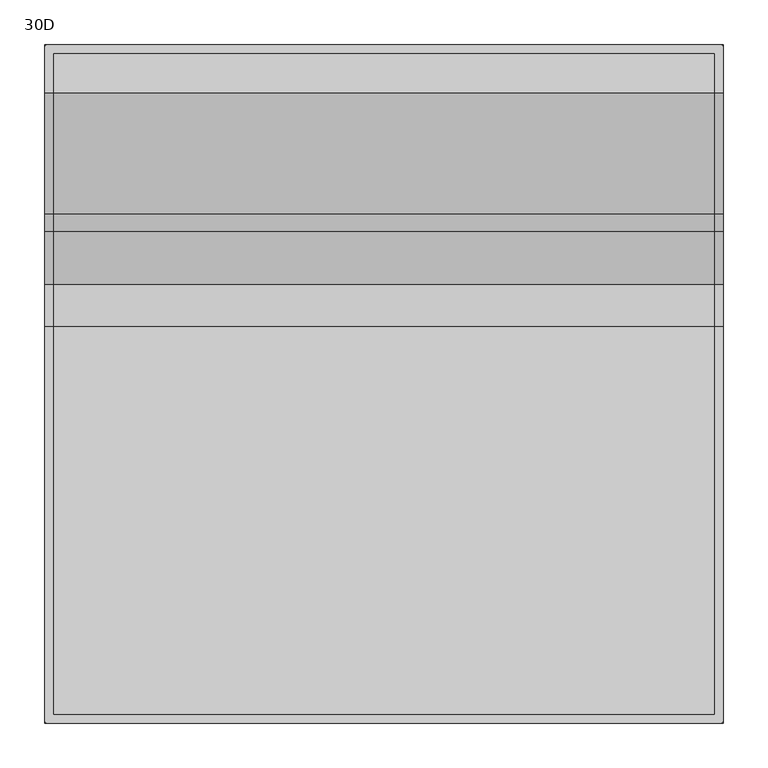
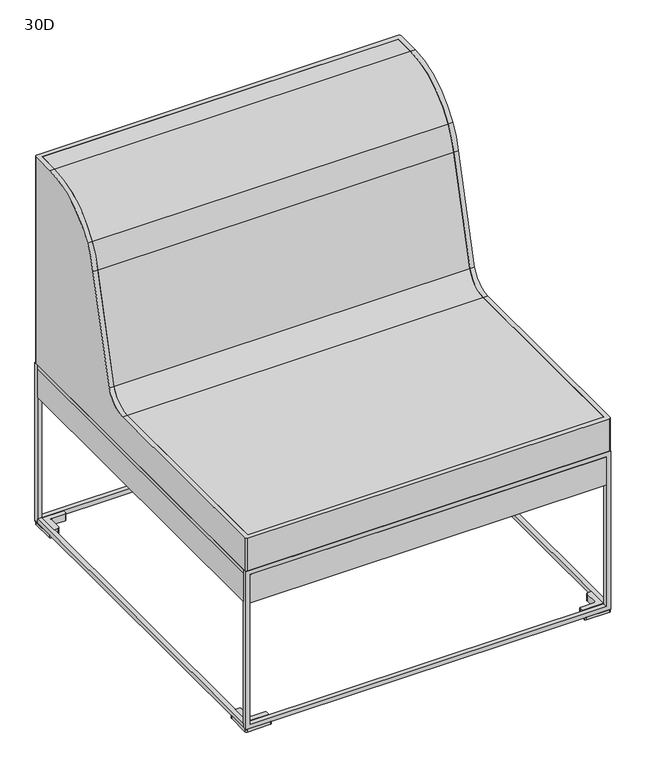
"""IFC4 building model written with IfcOpenShell, lengths in millimetres: furniture geometry, 30D."""

from ifc_helpers import new_model, si_unit, point, frame, frame_2d, origin, place, context, project, spatial, polyline, circle_curve, trimmed, segment, composite_curve, outline, extrude, source, transform, mapped, element, save
from ifc_brep_helpers import plane_surface, cylinder_surface, revolved_surface, advanced_brep


def furniture_30d_7a589925(model_context):
    return source(origin(), model_context, "Body", "SolidModel", [
        advanced_brep(
        [(0.0, -3.5791729, 356.0322699), (3.5791729, 0.0, 356.0322699), (758.4208271, 0.0, 356.0322699), (762.0, -3.5791729, 356.0322699), (762.0, -758.4208271, 356.0322699), (758.4208271, -762.0, 356.0322699), (3.5791729, -762.0, 356.0322699), (0.0, -758.4208271, 356.0322699), (9.652, -9.525218, 356.0322699), (9.652, -752.4678783, 356.0322699), (752.348, -752.4678783, 356.0322699), (752.348, -9.525218, 356.0322699), (0.0, -758.4208271, 427.2896118), (0.0, -316.873992, 427.2896118), (0.0, -268.7710315, 461.7572761), (0.0, -209.8067184, 683.1085218), (0.0, -190.5, 733.6850908), (0.0, -53.9744671, 811.3870454), (0.0, -3.5791729, 811.3870454), (3.5791729, -762.0, 427.2896118), (758.4208271, -762.0, 427.2896118), (762.0, -758.4208271, 427.2896118), (762.0, -3.5791729, 811.3870454), (762.0, -53.9744671, 811.3870454), (762.0, -190.5, 733.6850908), (762.0, -209.8067184, 683.1085218), (762.0, -268.7710315, 461.7572761), (762.0, -316.873992, 427.2896118), (758.4208271, 0.0, 811.3870454), (3.5791729, 0.0, 811.3870454), (752.348, -9.525218, 811.3870454), (9.652, -9.525218, 811.3870454), (752.348, -752.4678783, 427.2896118), (752.348, -316.873992, 427.2896118), (752.348, -268.7710315, 461.7572761), (752.348, -209.8067184, 683.1085218), (752.348, -190.5, 733.6850908), (752.348, -53.9744671, 811.3870454), (9.652, -752.4678783, 427.2896118), (9.652, -53.9744671, 811.3870454), (9.652, -190.5, 733.6850908), (9.652, -209.8067184, 683.1085218), (9.652, -268.7710315, 461.7572761), (9.652, -316.873992, 427.2896118)],
        [
            (0, 1, circle_curve(frame((3.5791729, -3.5791729, 356.0322699), z_axis=(0.0, 0.0, -1.0), x_axis=(1.0, 0.0, 0.0)), 3.5791729)),
            (1, 2),
            (2, 3, circle_curve(frame((758.4208271, -3.5791729, 356.0322699), z_axis=(0.0, 0.0, -1.0), x_axis=(1.0, 0.0, 0.0)), 3.5791729)),
            (3, 4),
            (4, 5, circle_curve(frame((758.4208271, -758.4208271, 356.0322699), z_axis=(0.0, 0.0, -1.0), x_axis=(1.0, 0.0, 0.0)), 3.5791729)),
            (5, 6),
            (6, 7, circle_curve(frame((3.5791729, -758.4208271, 356.0322699), z_axis=(0.0, 0.0, -1.0), x_axis=(1.0, 0.0, 0.0)), 3.5791729)),
            (7, 0),
            (8, 9),
            (9, 10),
            (10, 11),
            (11, 8),
            (7, 12),
            (12, 13),
            (13, 14, circle_curve(frame((0.0, -316.873992, 478.0896118), z_axis=(1.0, 0.0, 0.0), x_axis=(0.0, 1.0, 0.0)), 50.8)),
            (14, 15, circle_curve(frame((0.0, -1889.2345963, 1011.9511668), z_axis=(1.0, 0.0, 0.0), x_axis=(0.0, 1.0, 0.0)), 1711.3198071)),
            (15, 16, circle_curve(frame((0.0, -53.9744671, 652.5955773), z_axis=(-1.0, 0.0, 0.0), x_axis=(0.0, 1.0, 0.0)), 158.7914681)),
            (16, 17, circle_curve(frame((0.0, -53.9744671, 652.5955773), z_axis=(-1.0, 0.0, 0.0), x_axis=(0.0, 1.0, 0.0)), 158.7914681)),
            (17, 18),
            (18, 0),
            (6, 19),
            (19, 12, circle_curve(frame((3.5791729, -758.4208271, 427.2896118), z_axis=(0.0, 0.0, -1.0), x_axis=(1.0, 0.0, 0.0)), 3.5791729)),
            (5, 20),
            (20, 19),
            (4, 21),
            (21, 20, circle_curve(frame((758.4208271, -758.4208271, 427.2896118), z_axis=(0.0, 0.0, -1.0), x_axis=(1.0, 0.0, 0.0)), 3.5791729)),
            (3, 22),
            (22, 23),
            (23, 24, circle_curve(frame((762.0, -53.9744671, 652.5955773), z_axis=(1.0, 0.0, 0.0), x_axis=(0.0, 1.0, 0.0)), 158.7914681)),
            (24, 25, circle_curve(frame((762.0, -53.9744671, 652.5955773), z_axis=(1.0, 0.0, 0.0), x_axis=(0.0, 1.0, 0.0)), 158.7914681)),
            (25, 26, circle_curve(frame((762.0, -1889.2345963, 1011.9511668), z_axis=(-1.0, 0.0, 0.0), x_axis=(0.0, 1.0, 0.0)), 1711.3198071)),
            (26, 27, circle_curve(frame((762.0, -316.873992, 478.0896118), z_axis=(-1.0, 0.0, 0.0), x_axis=(0.0, 1.0, 0.0)), 50.8)),
            (27, 21),
            (2, 28),
            (28, 22, circle_curve(frame((758.4208271, -3.5791729, 811.3870454), z_axis=(0.0, 0.0, -1.0), x_axis=(1.0, 0.0, 0.0)), 3.5791729)),
            (1, 29),
            (29, 28),
            (18, 29, circle_curve(frame((3.5791729, -3.5791729, 811.3870454), z_axis=(0.0, 0.0, -1.0), x_axis=(1.0, 0.0, 0.0)), 3.5791729)),
            (11, 30),
            (30, 31),
            (31, 8),
            (10, 32),
            (32, 33),
            (33, 34, circle_curve(frame((752.348, -316.873992, 478.0896118), z_axis=(1.0, 0.0, 0.0), x_axis=(0.0, 1.0, 0.0)), 50.8)),
            (34, 35, circle_curve(frame((752.348, -1889.2345963, 1011.9511668), z_axis=(1.0, 0.0, 0.0), x_axis=(0.0, 1.0, 0.0)), 1711.3198071)),
            (35, 36, circle_curve(frame((752.348, -53.9744671, 652.5955773), z_axis=(-1.0, 0.0, 0.0), x_axis=(0.0, 1.0, 0.0)), 158.7914681)),
            (36, 37, circle_curve(frame((752.348, -53.9744671, 652.5955773), z_axis=(-1.0, 0.0, 0.0), x_axis=(0.0, 1.0, 0.0)), 158.7914681)),
            (37, 30),
            (9, 38),
            (38, 32),
            (31, 39),
            (39, 40, circle_curve(frame((9.652, -53.9744671, 652.5955773), z_axis=(1.0, 0.0, 0.0), x_axis=(0.0, 1.0, 0.0)), 158.7914681)),
            (40, 41, circle_curve(frame((9.652, -53.9744671, 652.5955773), z_axis=(1.0, 0.0, 0.0), x_axis=(0.0, 1.0, 0.0)), 158.7914681)),
            (41, 42, circle_curve(frame((9.652, -1889.2345963, 1011.9511668), z_axis=(-1.0, 0.0, 0.0), x_axis=(0.0, 1.0, 0.0)), 1711.3198071)),
            (42, 43, circle_curve(frame((9.652, -316.873992, 478.0896118), z_axis=(-1.0, 0.0, 0.0), x_axis=(0.0, 1.0, 0.0)), 50.8)),
            (43, 38),
            (37, 23),
            (17, 39),
            (27, 33),
            (43, 13),
            (35, 25),
            (24, 36),
            (15, 41),
            (40, 16),
            (34, 26),
            (14, 42),
        ],
        [
            plane_surface(frame((0.0, -3.5791729, 356.0322699), z_axis=(0.0, 0.0, -1.0), x_axis=(0.0, 1.0, 0.0))),
            plane_surface(frame((0.0, -3.5791729, 883.1264159), z_axis=(-1.0, 0.0, 0.0), x_axis=(0.0, 0.0, -1.0))),
            cylinder_surface(frame((3.5791729, -758.4208271, 356.0322699), z_axis=(0.0, 0.0, 1.0), x_axis=(1.0, 0.0, 0.0)), 3.5791729),
            plane_surface(frame((3.5791729, -762.0, 883.1264159), z_axis=(0.0, -1.0, 0.0), x_axis=(0.0, 0.0, -1.0))),
            cylinder_surface(frame((758.4208271, -758.4208271, 356.0322699), z_axis=(0.0, 0.0, 1.0), x_axis=(1.0, 0.0, 0.0)), 3.5791729),
            plane_surface(frame((762.0, -758.4208271, 883.1264159), z_axis=(1.0, 0.0, 0.0), x_axis=(0.0, 0.0, -1.0))),
            cylinder_surface(frame((758.4208271, -3.5791729, 356.0322699), z_axis=(0.0, 0.0, 1.0), x_axis=(1.0, 0.0, 0.0)), 3.5791729),
            plane_surface(frame((758.4208271, 0.0, 883.1264159), z_axis=(0.0, 1.0, 0.0), x_axis=(0.0, 0.0, -1.0))),
            cylinder_surface(frame((3.5791729, -3.5791729, 356.0322699), z_axis=(0.0, 0.0, 1.0), x_axis=(1.0, 0.0, 0.0)), 3.5791729),
            plane_surface(frame((9.652, -9.525218, 883.1264159), z_axis=(0.0, -1.0, 0.0), x_axis=(0.0, 0.0, -1.0))),
            plane_surface(frame((752.348, -9.525218, 883.1264159), z_axis=(-1.0, 0.0, 0.0), x_axis=(0.0, 0.0, -1.0))),
            plane_surface(frame((752.348, -752.4678783, 883.1264159), z_axis=(0.0, 1.0, 0.0), x_axis=(0.0, 0.0, -1.0))),
            plane_surface(frame((9.652, -752.4678783, 883.1264159), z_axis=(1.0, 0.0, 0.0), x_axis=(0.0, 0.0, -1.0))),
            plane_surface(frame((1481.6422049, -53.9744671, 811.3870454), z_axis=(0.0, 0.0, 1.0), x_axis=(-1.0, 0.0, 0.0))),
            plane_surface(frame((1481.6422049, -765.2220566, 427.2896118), z_axis=(0.0, 0.0, 1.0), x_axis=(-1.0, 0.0, 0.0))),
            cylinder_surface(frame((0.0, -53.9744671, 652.5955773), z_axis=(-1.0, 0.0, 0.0), x_axis=(0.0, 1.0, 0.0)), 158.7914681),
            revolved_surface(polyline([(762.0, -177.9147892000001, 1011.9511668), (752.348, -177.9147892000001, 1011.9511668)]), (0.0, -1889.2345963, 1011.9511668), (1.0, 0.0, 0.0)),
            revolved_surface(polyline([(9.652, -177.9147892000001, 1011.9511668), (0.0, -177.9147892000001, 1011.9511668)]), (0.0, -1889.2345963, 1011.9511668), (1.0, 0.0, 0.0)),
            revolved_surface(polyline([(762.0, -266.073992, 478.0896118), (752.348, -266.073992, 478.0896118)]), (0.0, -316.873992, 478.0896118), (1.0, 0.0, 0.0)),
            revolved_surface(polyline([(9.652, -266.073992, 478.0896118), (0.0, -266.073992, 478.0896118)]), (0.0, -316.873992, 478.0896118), (1.0, 0.0, 0.0)),
        ],
        [
            (0, [[1, 2, 3, 4, 5, 6, 7, 8], [9, 10, 11, 12]]),
            (1, [[-8, 13, 14, 15, 16, 17, 18, 19, 20]]),
            (2, [[-7, 21, 22, -13]]),
            (3, [[-6, 23, 24, -21]]),
            (4, [[-5, 25, 26, -23]]),
            (5, [[-4, 27, 28, 29, 30, 31, 32, 33, -25]]),
            (6, [[-3, 34, 35, -27]]),
            (7, [[-2, 36, 37, -34]]),
            (8, [[-1, -20, 38, -36]]),
            (9, [[-12, 39, 40, 41]]),
            (10, [[-11, 42, 43, 44, 45, 46, 47, 48, -39]]),
            (11, [[-10, 49, 50, -42]]),
            (12, [[-9, -41, 51, 52, 53, 54, 55, 56, -49]]),
            (13, [[57, -28, -35, -37, -38, -19, 58, -51, -40, -48]]),
            (14, [[59, -43, -50, -56, 60, -14, -22, -24, -26, -33]]),
            (15, [[61, -30, 62, -46]]),
            (15, [[63, -53, 64, -17]]),
            (15, [[-57, -47, -62, -29]]),
            (15, [[-58, -18, -64, -52]]),
            (16, [[-61, -45, 65, -31]]),
            (17, [[-63, -16, 66, -54]]),
            (18, [[-65, -44, -59, -32]]),
            (19, [[-66, -15, -60, -55]]),
        ],
    ),
        extrude(outline(composite_curve([segment(polyline([(-9.525218, 356.0322699), (-752.4678783, 356.0322699), (-752.4678783, 427.2896118), (-316.873992, 427.2896118)]), True, "CONTINUOUS"), segment(trimmed(circle_curve(frame_2d((-316.873992, 478.0896118)), 50.8), [point((-316.873992, 427.2896118))], [point((-268.7710315, 461.7572761))], True, "CARTESIAN"), True, "CONTINUOUS"), segment(trimmed(circle_curve(frame_2d((-1889.2345963, 1011.9511668)), 1711.3198071), [point((-268.7710315, 461.7572761))], [point((-209.8067184, 683.1085218))], True, "CARTESIAN"), True, "CONTINUOUS"), segment(trimmed(circle_curve(frame_2d((-53.9744671, 652.5955773)), 158.7914681), [point((-209.8067184, 683.1085218))], [point((-190.5, 733.6850908))], False, "CARTESIAN"), True, "CONTINUOUS"), segment(trimmed(circle_curve(frame_2d((-53.9744671, 652.5955773)), 158.7914681), [point((-190.5, 733.6850908))], [point((-53.9744671, 811.3870454))], False, "CARTESIAN"), True, "CONTINUOUS"), segment(polyline([(-53.9744671, 811.3870454), (-9.525218, 811.3870454), (-9.525218, 356.0322699)]), True, "CONTINUOUS")], self_intersect=False)), frame((9.525, 0.0, 0.0), z_axis=(1.0, 0.0, 0.0), x_axis=(0.0, 1.0, 0.0)), (0.0, 0.0, 1.0), 742.823),
        advanced_brep(
        [(17.0083882, -53.9744671, 15.289646), (20.3103882, -50.6724671, 15.289646), (20.3103882, -23.6896322, 15.289646), (23.6342208, -20.3657996, 15.289646), (51.4351938, -20.3657996, 15.289646), (53.9751938, -17.8257996, 15.289646), (53.9751938, -10.532642, 15.289646), (9.652, -10.532642, 15.289646), (9.652, -53.9744671, 15.289646), (53.9751938, -17.8257996, 0.0), (51.4351938, -20.3657996, 0.0), (23.6342208, -20.3657996, 0.0), (20.3103882, -23.6896322, 0.0), (20.3103882, -50.6724671, 0.0), (17.0083882, -53.9744671, 0.0), (2.54, -53.9744671, 0.0), (0.0, -51.4344671, 0.0), (0.0, -3.5791729, 0.0), (3.5791729, 0.0, 0.0), (51.3190396, 0.0, 0.0), (53.9751938, -2.6561542, 0.0), (53.9751938, -2.6561542, 5.7646191), (53.9751938, -10.532642, 5.7646191), (51.3190396, 0.0, 5.7646191), (3.5791729, 0.0, 5.7646191), (0.0, -3.5791729, 5.7646191), (0.0, -51.4344671, 5.7646191), (2.54, -53.9744671, 5.7646191), (9.652, -53.9744671, 5.7646191), (9.652, -10.532642, 5.7646191)],
        [
            (0, 1, circle_curve(frame((17.0083882, -50.6724671, 15.289646), z_axis=(0.0, 0.0, 1.0), x_axis=(1.0, 0.0, 0.0)), 3.302)),
            (1, 2),
            (2, 3, circle_curve(frame((23.6342208, -23.6896322, 15.289646), z_axis=(0.0, 0.0, -1.0), x_axis=(1.0, 0.0, 0.0)), 3.3238326)),
            (3, 4),
            (4, 5, circle_curve(frame((51.4351938, -17.8257996, 15.289646), z_axis=(0.0, 0.0, 1.0), x_axis=(1.0, 0.0, 0.0)), 2.54)),
            (5, 6),
            (6, 7),
            (7, 8),
            (8, 0),
            (9, 10, circle_curve(frame((51.4351938, -17.8257996, 0.0), z_axis=(0.0, 0.0, -1.0), x_axis=(1.0, 0.0, 0.0)), 2.54)),
            (10, 11),
            (11, 12, circle_curve(frame((23.6342208, -23.6896322, 0.0), z_axis=(0.0, 0.0, 1.0), x_axis=(1.0, 0.0, 0.0)), 3.3238326)),
            (12, 13),
            (13, 14, circle_curve(frame((17.0083882, -50.6724671, 0.0), z_axis=(0.0, 0.0, -1.0), x_axis=(1.0, 0.0, 0.0)), 3.302)),
            (14, 15),
            (15, 16, circle_curve(frame((2.54, -51.4344671, 0.0), z_axis=(0.0, 0.0, -1.0), x_axis=(1.0, 0.0, 0.0)), 2.54)),
            (16, 17),
            (17, 18, circle_curve(frame((3.5791729, -3.5791729, 0.0), z_axis=(0.0, 0.0, -1.0), x_axis=(1.0, 0.0, 0.0)), 3.5791729)),
            (18, 19),
            (19, 20, circle_curve(frame((51.3190396, -2.6561542, 0.0), z_axis=(0.0, 0.0, -1.0), x_axis=(1.0, 0.0, 0.0)), 2.6561542)),
            (20, 9),
            (20, 21),
            (21, 22),
            (22, 6),
            (5, 9),
            (19, 23),
            (23, 21, circle_curve(frame((51.3190396, -2.6561542, 5.7646191), z_axis=(0.0, 0.0, -1.0), x_axis=(1.0, 0.0, 0.0)), 2.6561542)),
            (18, 24),
            (24, 23),
            (17, 25),
            (25, 24, circle_curve(frame((3.5791729, -3.5791729, 5.7646191), z_axis=(0.0, 0.0, -1.0), x_axis=(1.0, 0.0, 0.0)), 3.5791729)),
            (16, 26),
            (26, 25),
            (15, 27),
            (27, 26, circle_curve(frame((2.54, -51.4344671, 5.7646191), z_axis=(0.0, 0.0, -1.0), x_axis=(1.0, 0.0, 0.0)), 2.54)),
            (14, 0),
            (8, 28),
            (28, 27),
            (13, 1),
            (12, 2),
            (11, 3),
            (10, 4),
            (28, 29),
            (29, 22),
            (7, 29),
        ],
        [
            plane_surface(frame((53.9751938, -2.7431465, 15.289646), z_axis=(0.0, 0.0, 1.0), x_axis=(0.0, 1.0, 0.0))),
            plane_surface(frame((53.9751938, -2.7431465, 0.0), z_axis=(0.0, 0.0, -1.0), x_axis=(0.0, -1.0, 0.0))),
            plane_surface(frame((53.9751938, -17.8257996, 15.289646), z_axis=(1.0, 0.0, 0.0), x_axis=(0.0, 0.0, -1.0))),
            cylinder_surface(frame((51.3190396, -2.6561542, 0.0), z_axis=(0.0, 0.0, 1.0), x_axis=(1.0, 0.0, 0.0)), 2.6561542),
            plane_surface(frame((51.3190396, 0.0, 15.289646), z_axis=(0.0, 1.0, 0.0), x_axis=(0.0, 0.0, -1.0))),
            cylinder_surface(frame((3.5791729, -3.5791729, 0.0), z_axis=(0.0, 0.0, 1.0), x_axis=(1.0, 0.0, 0.0)), 3.5791729),
            plane_surface(frame((0.0, -3.5791729, 15.289646), z_axis=(-1.0, 0.0, 0.0), x_axis=(0.0, 0.0, -1.0))),
            cylinder_surface(frame((2.54, -51.4344671, 0.0), z_axis=(0.0, 0.0, 1.0), x_axis=(1.0, 0.0, 0.0)), 2.54),
            plane_surface(frame((2.54, -53.9744671, 15.289646), z_axis=(0.0, -1.0, 0.0), x_axis=(0.0, 0.0, -1.0))),
            cylinder_surface(frame((17.0083882, -50.6724671, 0.0), z_axis=(0.0, 0.0, 1.0), x_axis=(1.0, 0.0, 0.0)), 3.302),
            plane_surface(frame((20.3103882, -50.6724671, 15.289646), z_axis=(1.0, 0.0, 0.0), x_axis=(0.0, 0.0, -1.0))),
            revolved_surface(polyline([(26.9580534, -23.6896322, 0.0), (26.9580534, -23.6896322, 15.289646)]), (23.6342208, -23.6896322, 0.0), (0.0, 0.0, -1.0)),
            plane_surface(frame((23.6342208, -20.3657996, 15.289646), z_axis=(0.0, -1.0, 0.0), x_axis=(0.0, 0.0, -1.0))),
            cylinder_surface(frame((51.4351938, -17.8257996, 0.0), z_axis=(0.0, 0.0, 1.0), x_axis=(1.0, 0.0, 0.0)), 2.54),
            plane_surface(frame((2.54, -708.0259689, 5.7646191), z_axis=(0.0, 0.0, 1.0), x_axis=(1.0, 0.0, 0.0))),
            plane_surface(frame((9.652, -53.9744671, 126.7257456), z_axis=(-1.0, 0.0, 0.0), x_axis=(0.0, 0.0, -1.0))),
            plane_surface(frame((9.652, -10.532642, 126.7257456), z_axis=(0.0, 1.0, 0.0), x_axis=(0.0, 0.0, -1.0))),
        ],
        [
            (0, [[1, 2, 3, 4, 5, 6, 7, 8, 9]]),
            (1, [[10, 11, 12, 13, 14, 15, 16, 17, 18, 19, 20, 21]]),
            (2, [[-21, 22, 23, 24, -6, 25]]),
            (3, [[-20, 26, 27, -22]]),
            (4, [[-19, 28, 29, -26]]),
            (5, [[-18, 30, 31, -28]]),
            (6, [[-17, 32, 33, -30]]),
            (7, [[-16, 34, 35, -32]]),
            (8, [[-15, 36, -9, 37, 38, -34]]),
            (9, [[-1, -36, -14, 39]]),
            (10, [[-2, -39, -13, 40]]),
            (11, [[-3, -40, -12, 41]]),
            (12, [[-4, -41, -11, 42]]),
            (13, [[-5, -42, -10, -25]]),
            (14, [[43, 44, -23, -27, -29, -31, -33, -35, -38]]),
            (15, [[-43, -37, -8, 45]]),
            (16, [[-44, -45, -7, -24]]),
        ],
    ),
        advanced_brep(
        [(708.0248062, -17.8257996, 15.289646), (710.5648062, -20.3657996, 15.289646), (738.3657792, -20.3657996, 15.289646), (741.6896118, -23.6896322, 15.289646), (741.6896118, -50.6724671, 15.289646), (744.9916118, -53.9744671, 15.289646), (752.348, -53.9744671, 15.289646), (752.348, -10.532642, 15.289646), (708.0248062, -10.532642, 15.289646), (708.0248062, -17.8257996, 0.0), (708.0248062, -2.6561542, 0.0), (710.6809604, 0.0, 0.0), (758.4208271, 0.0, 0.0), (762.0, -3.5791729, 0.0), (762.0, -51.4344671, 0.0), (759.46, -53.9744671, 0.0), (744.9916118, -53.9744671, 0.0), (741.6896118, -50.6724671, 0.0), (741.6896118, -23.6896322, 0.0), (738.3657792, -20.3657996, 0.0), (710.5648062, -20.3657996, 0.0), (759.46, -53.9744671, 5.7646191), (752.348, -53.9744671, 5.7646191), (762.0, -51.4344671, 5.7646191), (762.0, -3.5791729, 5.7646191), (758.4208271, 0.0, 5.7646191), (710.6809604, 0.0, 5.7646191), (708.0248062, -2.6561542, 5.7646191), (708.0248062, -10.532642, 5.7646191), (752.348, -10.532642, 5.7646191)],
        [
            (0, 1, circle_curve(frame((710.5648062, -17.8257996, 15.289646), z_axis=(0.0, 0.0, 1.0), x_axis=(1.0, 0.0, 0.0)), 2.54)),
            (1, 2),
            (2, 3, circle_curve(frame((738.3657792, -23.6896322, 15.289646), z_axis=(0.0, 0.0, -1.0), x_axis=(1.0, 0.0, 0.0)), 3.3238326)),
            (3, 4),
            (4, 5, circle_curve(frame((744.9916118, -50.6724671, 15.289646), z_axis=(0.0, 0.0, 1.0), x_axis=(1.0, 0.0, 0.0)), 3.302)),
            (5, 6),
            (6, 7),
            (7, 8),
            (8, 0),
            (9, 10),
            (10, 11, circle_curve(frame((710.6809604, -2.6561542, 0.0), z_axis=(0.0, 0.0, -1.0), x_axis=(1.0, 0.0, 0.0)), 2.6561542)),
            (11, 12),
            (12, 13, circle_curve(frame((758.4208271, -3.5791729, 0.0), z_axis=(0.0, 0.0, -1.0), x_axis=(1.0, 0.0, 0.0)), 3.5791729)),
            (13, 14),
            (14, 15, circle_curve(frame((759.46, -51.4344671, 0.0), z_axis=(0.0, 0.0, -1.0), x_axis=(1.0, 0.0, 0.0)), 2.54)),
            (15, 16),
            (16, 17, circle_curve(frame((744.9916118, -50.6724671, 0.0), z_axis=(0.0, 0.0, -1.0), x_axis=(1.0, 0.0, 0.0)), 3.302)),
            (17, 18),
            (18, 19, circle_curve(frame((738.3657792, -23.6896322, 0.0), z_axis=(0.0, 0.0, 1.0), x_axis=(1.0, 0.0, 0.0)), 3.3238326)),
            (19, 20),
            (20, 9, circle_curve(frame((710.5648062, -17.8257996, 0.0), z_axis=(0.0, 0.0, -1.0), x_axis=(1.0, 0.0, 0.0)), 2.54)),
            (0, 9),
            (20, 1),
            (19, 2),
            (18, 3),
            (17, 4),
            (16, 5),
            (15, 21),
            (21, 22),
            (22, 6),
            (14, 23),
            (23, 21, circle_curve(frame((759.46, -51.4344671, 5.7646191), z_axis=(0.0, 0.0, -1.0), x_axis=(1.0, 0.0, 0.0)), 2.54)),
            (13, 24),
            (24, 23),
            (12, 25),
            (25, 24, circle_curve(frame((758.4208271, -3.5791729, 5.7646191), z_axis=(0.0, 0.0, -1.0), x_axis=(1.0, 0.0, 0.0)), 3.5791729)),
            (11, 26),
            (26, 25),
            (10, 27),
            (27, 26, circle_curve(frame((710.6809604, -2.6561542, 5.7646191), z_axis=(0.0, 0.0, -1.0), x_axis=(1.0, 0.0, 0.0)), 2.6561542)),
            (8, 28),
            (28, 27),
            (28, 29),
            (29, 22),
            (7, 29),
        ],
        [
            plane_surface(frame((53.9751938, -2.7431465, 15.289646), z_axis=(0.0, 0.0, 1.0), x_axis=(0.0, 1.0, 0.0))),
            plane_surface(frame((53.9751938, -2.7431465, 0.0), z_axis=(0.0, 0.0, -1.0), x_axis=(0.0, -1.0, 0.0))),
            cylinder_surface(frame((710.5648062, -17.8257996, 0.0), z_axis=(0.0, 0.0, 1.0), x_axis=(1.0, 0.0, 0.0)), 2.54),
            plane_surface(frame((710.5648062, -20.3657996, 15.289646), z_axis=(0.0, -1.0, 0.0), x_axis=(0.0, 0.0, -1.0))),
            revolved_surface(polyline([(741.6896118, -23.6896322, 0.0), (741.6896118, -23.6896322, 15.289646)]), (738.3657792, -23.6896322, 0.0), (0.0, 0.0, -1.0)),
            plane_surface(frame((741.6896118, -23.6896322, 15.289646), z_axis=(-1.0, 0.0, 0.0), x_axis=(0.0, 0.0, -1.0))),
            cylinder_surface(frame((744.9916118, -50.6724671, 0.0), z_axis=(0.0, 0.0, 1.0), x_axis=(1.0, 0.0, 0.0)), 3.302),
            plane_surface(frame((744.9916118, -53.9744671, 15.289646), z_axis=(0.0, -1.0, 0.0), x_axis=(0.0, 0.0, -1.0))),
            cylinder_surface(frame((759.46, -51.4344671, 0.0), z_axis=(0.0, 0.0, 1.0), x_axis=(1.0, 0.0, 0.0)), 2.54),
            plane_surface(frame((762.0, -51.4344671, 15.289646), z_axis=(1.0, 0.0, 0.0), x_axis=(0.0, 0.0, -1.0))),
            cylinder_surface(frame((758.4208271, -3.5791729, 0.0), z_axis=(0.0, 0.0, 1.0), x_axis=(1.0, 0.0, 0.0)), 3.5791729),
            plane_surface(frame((758.4208271, 0.0, 15.289646), z_axis=(0.0, 1.0, 0.0), x_axis=(0.0, 0.0, -1.0))),
            cylinder_surface(frame((710.6809604, -2.6561542, 0.0), z_axis=(0.0, 0.0, 1.0), x_axis=(1.0, 0.0, 0.0)), 2.6561542),
            plane_surface(frame((708.0248062, -2.6561542, 15.289646), z_axis=(-1.0, 0.0, 0.0), x_axis=(0.0, 0.0, -1.0))),
            plane_surface(frame((2.54, -708.0259689, 5.7646191), z_axis=(0.0, 0.0, 1.0), x_axis=(1.0, 0.0, 0.0))),
            plane_surface(frame((708.0248062, -10.532642, 126.7257456), z_axis=(0.0, 1.0, 0.0), x_axis=(0.0, 0.0, -1.0))),
            plane_surface(frame((752.348, -10.532642, 126.7257456), z_axis=(1.0, 0.0, 0.0), x_axis=(0.0, 0.0, -1.0))),
        ],
        [
            (0, [[1, 2, 3, 4, 5, 6, 7, 8, 9]]),
            (1, [[10, 11, 12, 13, 14, 15, 16, 17, 18, 19, 20, 21]]),
            (2, [[-1, 22, -21, 23]]),
            (3, [[-2, -23, -20, 24]]),
            (4, [[-3, -24, -19, 25]]),
            (5, [[-4, -25, -18, 26]]),
            (6, [[-5, -26, -17, 27]]),
            (7, [[-16, 28, 29, 30, -6, -27]]),
            (8, [[-15, 31, 32, -28]]),
            (9, [[-14, 33, 34, -31]]),
            (10, [[-13, 35, 36, -33]]),
            (11, [[-12, 37, 38, -35]]),
            (12, [[-11, 39, 40, -37]]),
            (13, [[-10, -22, -9, 41, 42, -39]]),
            (14, [[43, 44, -29, -32, -34, -36, -38, -40, -42]]),
            (15, [[-43, -41, -8, 45]]),
            (16, [[-44, -45, -7, -30]]),
        ],
    ),
        advanced_brep(
        [(53.9751938, -744.2307745, 15.289646), (51.4351938, -741.6907745, 15.289646), (23.6342208, -741.6907745, 15.289646), (20.3103882, -738.3669419, 15.289646), (20.3103882, -711.3279689, 15.289646), (17.0083882, -708.0259689, 15.289646), (9.652, -708.0259689, 15.289646), (9.652, -751.467794, 15.289646), (53.9751938, -751.467794, 15.289646), (53.9751938, -744.2307745, 0.0), (53.9751938, -759.3438458, 0.0), (51.3190396, -762.0, 0.0), (3.5791729, -762.0, 0.0), (0.0, -758.4208271, 0.0), (0.0, -710.5659689, 0.0), (2.54, -708.0259689, 0.0), (17.0083882, -708.0259689, 0.0), (20.3103882, -711.3279689, 0.0), (20.3103882, -738.3669419, 0.0), (23.6342208, -741.6907745, 0.0), (51.4351938, -741.6907745, 0.0), (2.54, -708.0259689, 5.7646191), (9.652, -708.0259689, 5.7646191), (0.0, -710.5659689, 5.7646191), (0.0, -758.4208271, 5.7646191), (3.5791729, -762.0, 5.7646191), (51.3190396, -762.0, 5.7646191), (53.9751938, -759.3438458, 5.7646191), (53.9751938, -751.467794, 5.7646191), (9.652, -751.467794, 5.7646191)],
        [
            (0, 1, circle_curve(frame((51.4351938, -744.2307745, 15.289646), z_axis=(0.0, 0.0, 1.0), x_axis=(1.0, 0.0, 0.0)), 2.54)),
            (1, 2),
            (2, 3, circle_curve(frame((23.6342208, -738.3669419, 15.289646), z_axis=(0.0, 0.0, -1.0), x_axis=(1.0, 0.0, 0.0)), 3.3238326)),
            (3, 4),
            (4, 5, circle_curve(frame((17.0083882, -711.3279689, 15.289646), z_axis=(0.0, 0.0, 1.0), x_axis=(1.0, 0.0, 0.0)), 3.302)),
            (5, 6),
            (6, 7),
            (7, 8),
            (8, 0),
            (9, 10),
            (10, 11, circle_curve(frame((51.3190396, -759.3438458, 0.0), z_axis=(0.0, 0.0, -1.0), x_axis=(1.0, 0.0, 0.0)), 2.6561542)),
            (11, 12),
            (12, 13, circle_curve(frame((3.5791729, -758.4208271, 0.0), z_axis=(0.0, 0.0, -1.0), x_axis=(1.0, 0.0, 0.0)), 3.5791729)),
            (13, 14),
            (14, 15, circle_curve(frame((2.54, -710.5659689, 0.0), z_axis=(0.0, 0.0, -1.0), x_axis=(1.0, 0.0, 0.0)), 2.54)),
            (15, 16),
            (16, 17, circle_curve(frame((17.0083882, -711.3279689, 0.0), z_axis=(0.0, 0.0, -1.0), x_axis=(1.0, 0.0, 0.0)), 3.302)),
            (17, 18),
            (18, 19, circle_curve(frame((23.6342208, -738.3669419, 0.0), z_axis=(0.0, 0.0, 1.0), x_axis=(1.0, 0.0, 0.0)), 3.3238326)),
            (19, 20),
            (20, 9, circle_curve(frame((51.4351938, -744.2307745, 0.0), z_axis=(0.0, 0.0, -1.0), x_axis=(1.0, 0.0, 0.0)), 2.54)),
            (0, 9),
            (20, 1),
            (19, 2),
            (18, 3),
            (17, 4),
            (16, 5),
            (15, 21),
            (21, 22),
            (22, 6),
            (14, 23),
            (23, 21, circle_curve(frame((2.54, -710.5659689, 5.7646191), z_axis=(0.0, 0.0, -1.0), x_axis=(1.0, 0.0, 0.0)), 2.54)),
            (13, 24),
            (24, 23),
            (12, 25),
            (25, 24, circle_curve(frame((3.5791729, -758.4208271, 5.7646191), z_axis=(0.0, 0.0, -1.0), x_axis=(1.0, 0.0, 0.0)), 3.5791729)),
            (11, 26),
            (26, 25),
            (10, 27),
            (27, 26, circle_curve(frame((51.3190396, -759.3438458, 5.7646191), z_axis=(0.0, 0.0, -1.0), x_axis=(1.0, 0.0, 0.0)), 2.6561542)),
            (8, 28),
            (28, 27),
            (28, 29),
            (29, 22),
            (7, 29),
        ],
        [
            plane_surface(frame((53.9751938, -2.7431465, 15.289646), z_axis=(0.0, 0.0, 1.0), x_axis=(0.0, 1.0, 0.0))),
            plane_surface(frame((53.9751938, -2.7431465, 0.0), z_axis=(0.0, 0.0, -1.0), x_axis=(0.0, -1.0, 0.0))),
            cylinder_surface(frame((51.4351938, -744.2307745, 0.0), z_axis=(0.0, 0.0, 1.0), x_axis=(1.0, 0.0, 0.0)), 2.54),
            plane_surface(frame((51.4351938, -741.6907745, 15.289646), z_axis=(0.0, 1.0, 0.0), x_axis=(0.0, 0.0, -1.0))),
            revolved_surface(polyline([(26.9580534, -738.3669419, 0.0), (26.9580534, -738.3669419, 15.289646)]), (23.6342208, -738.3669419, 0.0), (0.0, 0.0, -1.0)),
            plane_surface(frame((20.3103882, -738.3669419, 15.289646), z_axis=(1.0, 0.0, 0.0), x_axis=(0.0, 0.0, -1.0))),
            cylinder_surface(frame((17.0083882, -711.3279689, 0.0), z_axis=(0.0, 0.0, 1.0), x_axis=(1.0, 0.0, 0.0)), 3.302),
            plane_surface(frame((17.0083882, -708.0259689, 15.289646), z_axis=(-1.1600767335756156e-12, 1.0, 0.0), x_axis=(0.0, 0.0, -1.0))),
            cylinder_surface(frame((2.54, -710.5659689, 0.0), z_axis=(0.0, 0.0, 1.0), x_axis=(1.0, 0.0, 0.0)), 2.54),
            plane_surface(frame((0.0, -710.5659689, 15.289646), z_axis=(-1.0, 0.0, 0.0), x_axis=(0.0, 0.0, -1.0))),
            cylinder_surface(frame((3.5791729, -758.4208271, 0.0), z_axis=(0.0, 0.0, 1.0), x_axis=(1.0, 0.0, 0.0)), 3.5791729),
            plane_surface(frame((3.5791729, -762.0, 15.289646), z_axis=(0.0, -1.0, 0.0), x_axis=(0.0, 0.0, -1.0))),
            cylinder_surface(frame((51.3190396, -759.3438458, 0.0), z_axis=(0.0, 0.0, 1.0), x_axis=(1.0, 0.0, 0.0)), 2.6561542),
            plane_surface(frame((53.9751938, -759.3438458, 15.289646), z_axis=(1.0, 0.0, 0.0), x_axis=(0.0, 0.0, -1.0))),
            plane_surface(frame((2.54, -708.0259689, 5.7646191), z_axis=(0.0, 0.0, 1.0), x_axis=(1.0, 0.0, 0.0))),
            plane_surface(frame((53.9751938, -751.467794, 126.7257456), z_axis=(0.0, -1.0, 0.0), x_axis=(0.0, 0.0, -1.0))),
            plane_surface(frame((9.652, -751.467794, 126.7257456), z_axis=(-1.0, 0.0, 0.0), x_axis=(0.0, 0.0, -1.0))),
        ],
        [
            (0, [[1, 2, 3, 4, 5, 6, 7, 8, 9]]),
            (1, [[10, 11, 12, 13, 14, 15, 16, 17, 18, 19, 20, 21]]),
            (2, [[-1, 22, -21, 23]]),
            (3, [[-2, -23, -20, 24]]),
            (4, [[-3, -24, -19, 25]]),
            (5, [[-4, -25, -18, 26]]),
            (6, [[-5, -26, -17, 27]]),
            (7, [[-16, 28, 29, 30, -6, -27]]),
            (8, [[-15, 31, 32, -28]]),
            (9, [[-14, 33, 34, -31]]),
            (10, [[-13, 35, 36, -33]]),
            (11, [[-12, 37, 38, -35]]),
            (12, [[-11, 39, 40, -37]]),
            (13, [[-10, -22, -9, 41, 42, -39]]),
            (14, [[43, 44, -29, -32, -34, -36, -38, -40, -42]]),
            (15, [[-43, -41, -8, 45]]),
            (16, [[-44, -45, -7, -30]]),
        ],
    ),
        advanced_brep(
        [(744.9916118, -708.0259689, 15.289646), (741.6896118, -711.3279689, 15.289646), (741.6896118, -738.3669419, 15.289646), (738.3657792, -741.6907745, 15.289646), (710.5648062, -741.6907745, 15.289646), (708.0248062, -744.2307745, 15.289646), (708.0248062, -751.467794, 15.289646), (752.348, -751.467794, 15.289646), (752.348, -708.0259689, 15.289646), (708.0248062, -744.2307745, 0.0), (710.5648062, -741.6907745, 0.0), (738.3657792, -741.6907745, 0.0), (741.6896118, -738.3669419, 0.0), (741.6896118, -711.3279689, 0.0), (744.9916118, -708.0259689, 0.0), (759.46, -708.0259689, 0.0), (762.0, -710.5659689, 0.0), (762.0, -758.4208271, 0.0), (758.4208271, -762.0, 0.0), (710.6809604, -762.0, 0.0), (708.0248062, -759.3438458, 0.0), (708.0248062, -759.3438458, 5.7646191), (708.0248062, -751.467794, 5.7646191), (710.6809604, -762.0, 5.7646191), (758.4208271, -762.0, 5.7646191), (762.0, -758.4208271, 5.7646191), (762.0, -710.5659689, 5.7646191), (759.46, -708.0259689, 5.7646191), (752.348, -708.0259689, 5.7646191), (752.348, -751.467794, 5.7646191)],
        [
            (0, 1, circle_curve(frame((744.9916118, -711.3279689, 15.289646), z_axis=(0.0, 0.0, 1.0), x_axis=(1.0, 0.0, 0.0)), 3.302)),
            (1, 2),
            (2, 3, circle_curve(frame((738.3657792, -738.3669419, 15.289646), z_axis=(0.0, 0.0, -1.0), x_axis=(1.0, 0.0, 0.0)), 3.3238326)),
            (3, 4),
            (4, 5, circle_curve(frame((710.5648062, -744.2307745, 15.289646), z_axis=(0.0, 0.0, 1.0), x_axis=(1.0, 0.0, 0.0)), 2.54)),
            (5, 6),
            (6, 7),
            (7, 8),
            (8, 0),
            (9, 10, circle_curve(frame((710.5648062, -744.2307745, 0.0), z_axis=(0.0, 0.0, -1.0), x_axis=(1.0, 0.0, 0.0)), 2.54)),
            (10, 11),
            (11, 12, circle_curve(frame((738.3657792, -738.3669419, 0.0), z_axis=(0.0, 0.0, 1.0), x_axis=(1.0, 0.0, 0.0)), 3.3238326)),
            (12, 13),
            (13, 14, circle_curve(frame((744.9916118, -711.3279689, 0.0), z_axis=(0.0, 0.0, -1.0), x_axis=(1.0, 0.0, 0.0)), 3.302)),
            (14, 15),
            (15, 16, circle_curve(frame((759.46, -710.5659689, 0.0), z_axis=(0.0, 0.0, -1.0), x_axis=(1.0, 0.0, 0.0)), 2.54)),
            (16, 17),
            (17, 18, circle_curve(frame((758.4208271, -758.4208271, 0.0), z_axis=(0.0, 0.0, -1.0), x_axis=(1.0, 0.0, 0.0)), 3.5791729)),
            (18, 19),
            (19, 20, circle_curve(frame((710.6809604, -759.3438458, 0.0), z_axis=(0.0, 0.0, -1.0), x_axis=(1.0, 0.0, 0.0)), 2.6561542)),
            (20, 9),
            (20, 21),
            (21, 22),
            (22, 6),
            (5, 9),
            (19, 23),
            (23, 21, circle_curve(frame((710.6809604, -759.3438458, 5.7646191), z_axis=(0.0, 0.0, -1.0), x_axis=(1.0, 0.0, 0.0)), 2.6561542)),
            (18, 24),
            (24, 23),
            (17, 25),
            (25, 24, circle_curve(frame((758.4208271, -758.4208271, 5.7646191), z_axis=(0.0, 0.0, -1.0), x_axis=(1.0, 0.0, 0.0)), 3.5791729)),
            (16, 26),
            (26, 25),
            (15, 27),
            (27, 26, circle_curve(frame((759.46, -710.5659689, 5.7646191), z_axis=(0.0, 0.0, -1.0), x_axis=(1.0, 0.0, 0.0)), 2.54)),
            (14, 0),
            (8, 28),
            (28, 27),
            (13, 1),
            (12, 2),
            (11, 3),
            (10, 4),
            (28, 29),
            (29, 22),
            (7, 29),
        ],
        [
            plane_surface(frame((53.9751938, -2.7431465, 15.289646), z_axis=(0.0, 0.0, 1.0), x_axis=(0.0, 1.0, 0.0))),
            plane_surface(frame((53.9751938, -2.7431465, 0.0), z_axis=(0.0, 0.0, -1.0), x_axis=(0.0, -1.0, 0.0))),
            plane_surface(frame((708.0248062, -744.2307745, 15.289646), z_axis=(-1.0, 0.0, 0.0), x_axis=(0.0, 0.0, -1.0))),
            cylinder_surface(frame((710.6809604, -759.3438458, 0.0), z_axis=(0.0, 0.0, 1.0), x_axis=(1.0, 0.0, 0.0)), 2.6561542),
            plane_surface(frame((710.6809604, -762.0, 15.289646), z_axis=(0.0, -1.0, 0.0), x_axis=(0.0, 0.0, -1.0))),
            cylinder_surface(frame((758.4208271, -758.4208271, 0.0), z_axis=(0.0, 0.0, 1.0), x_axis=(1.0, 0.0, 0.0)), 3.5791729),
            plane_surface(frame((762.0, -758.4208271, 15.289646), z_axis=(1.0, 0.0, 0.0), x_axis=(0.0, 0.0, -1.0))),
            cylinder_surface(frame((759.46, -710.5659689, 0.0), z_axis=(0.0, 0.0, 1.0), x_axis=(1.0, 0.0, 0.0)), 2.54),
            plane_surface(frame((759.46, -708.0259689, 15.289646), z_axis=(0.0, 1.0, 0.0), x_axis=(0.0, 0.0, -1.0))),
            cylinder_surface(frame((744.9916118, -711.3279689, 0.0), z_axis=(0.0, 0.0, 1.0), x_axis=(1.0, 0.0, 0.0)), 3.302),
            plane_surface(frame((741.6896118, -711.3279689, 15.289646), z_axis=(-1.0, 0.0, 0.0), x_axis=(0.0, 0.0, -1.0))),
            revolved_surface(polyline([(741.6896118, -738.3669419, 0.0), (741.6896118, -738.3669419, 15.289646)]), (738.3657792, -738.3669419, 0.0), (0.0, 0.0, -1.0)),
            plane_surface(frame((738.3657792, -741.6907745, 15.289646), z_axis=(0.0, 1.0, 0.0), x_axis=(0.0, 0.0, -1.0))),
            cylinder_surface(frame((710.5648062, -744.2307745, 0.0), z_axis=(0.0, 0.0, 1.0), x_axis=(1.0, 0.0, 0.0)), 2.54),
            plane_surface(frame((2.54, -708.0259689, 5.7646191), z_axis=(0.0, 0.0, 1.0), x_axis=(1.0, 0.0, 0.0))),
            plane_surface(frame((752.348, -708.0259689, 126.7257456), z_axis=(1.0, 0.0, 0.0), x_axis=(0.0, 0.0, -1.0))),
            plane_surface(frame((752.348, -751.467794, 126.7257456), z_axis=(0.0, -1.0, 0.0), x_axis=(0.0, 0.0, -1.0))),
        ],
        [
            (0, [[1, 2, 3, 4, 5, 6, 7, 8, 9]]),
            (1, [[10, 11, 12, 13, 14, 15, 16, 17, 18, 19, 20, 21]]),
            (2, [[-21, 22, 23, 24, -6, 25]]),
            (3, [[-20, 26, 27, -22]]),
            (4, [[-19, 28, 29, -26]]),
            (5, [[-18, 30, 31, -28]]),
            (6, [[-17, 32, 33, -30]]),
            (7, [[-16, 34, 35, -32]]),
            (8, [[-15, 36, -9, 37, 38, -34]]),
            (9, [[-1, -36, -14, 39]]),
            (10, [[-2, -39, -13, 40]]),
            (11, [[-3, -40, -12, 41]]),
            (12, [[-4, -41, -11, 42]]),
            (13, [[-5, -42, -10, -25]]),
            (14, [[43, 44, -23, -27, -29, -31, -33, -35, -38]]),
            (15, [[-43, -37, -8, 45]]),
            (16, [[-44, -45, -7, -24]]),
        ],
    ),
        extrude(outline(polyline([(760.8542582, -1.1443342), (760.8542582, -760.857802), (1.1446976, -760.857802), (1.1446976, -1.1443342), (760.8542582, -1.1443342)])), frame((0.0, 0.0, 283.5283514), z_axis=(0.0, 0.0, 1.0), x_axis=(1.0, 0.0, 0.0)), (0.0, 0.0, 1.0), 61.9613161),
        extrude(outline(polyline([(752.348, -760.9834923), (752.348, -762.0), (9.652, -762.0), (9.652, -760.9834923), (752.348, -760.9834923)])), frame((0.0, 0.0, 283.5283514), z_axis=(0.0, 0.0, 1.0), x_axis=(1.0, 0.0, 0.0)), (0.0, 0.0, 1.0), 61.9613161),
        extrude(outline(polyline([(762.0, -752.4678783), (760.8553024, -752.4678783), (760.8553024, -9.525218), (762.0, -9.525218), (762.0, -752.4678783)])), frame((0.0, 0.0, 283.5282424), z_axis=(0.0, 0.0, 1.0), x_axis=(1.0, 0.0, 0.0)), (0.0, 0.0, 1.0), 61.9616085),
        extrude(outline(polyline([(1.1446976, -752.4678783), (0.0, -752.4678783), (0.0, -9.525218), (1.1446976, -9.525218), (1.1446976, -752.4678783)])), frame((0.0, 0.0, 283.5282424), z_axis=(0.0, 0.0, 1.0), x_axis=(1.0, 0.0, 0.0)), (0.0, 0.0, 1.0), 61.9616085),
        extrude(outline(polyline([(0.0, -1.1443342), (0.0, 0.0), (742.696, 0.0), (742.696, -1.1443342), (0.0, -1.1443342)])), frame((752.348003, -1.1443342, 283.5282449), z_axis=(2.869644635915683e-07, 0.0, 0.9999999999999588), x_axis=(-0.9999999999999588, 0.0, 2.869644635915683e-07)), (0.0, 0.0, 1.0), 61.961393),
        extrude(outline(polyline([(9.652, -9.525218), (9.652, -752.4678783), (0.0, -752.4678783), (0.0, -9.525218), (9.652, -9.525218)])), frame((0.0, 0.0, 345.4896675), z_axis=(0.0, 0.0, 1.0), x_axis=(1.0, 0.0, 0.0)), (0.0, 0.0, 1.0), 9.5249637),
        extrude(outline(polyline([(752.348, -752.4678783), (752.348, -9.525218), (762.0, -9.525218), (762.0, -752.4678783), (752.348, -752.4678783)])), frame((0.0, 0.0, 345.4896675), z_axis=(0.0, 0.0, 1.0), x_axis=(1.0, 0.0, 0.0)), (0.0, 0.0, 1.0), 9.5249637),
        extrude(outline(polyline([(9.652, -9.525218), (9.652, -752.4678783), (0.0, -752.4678783), (0.0, -9.525218), (9.652, -9.525218)])), frame((0.0, 0.0, 5.7646191), z_axis=(0.0, 0.0, 1.0), x_axis=(1.0, 0.0, 0.0)), (0.0, 0.0, 1.0), 9.5250269),
        extrude(outline(polyline([(752.348, -752.4678783), (752.348, -9.525218), (762.0, -9.525218), (762.0, -752.4678783), (752.348, -752.4678783)])), frame((0.0, 0.0, 5.7646191), z_axis=(0.0, 0.0, 1.0), x_axis=(1.0, 0.0, 0.0)), (0.0, 0.0, 1.0), 9.5250269),
        extrude(outline(polyline([(355.0146312, 0.0), (5.7646191, 0.0), (5.7646191, 762.0), (355.0146312, 762.0), (355.0146312, 0.0)]), holes=[polyline([(345.4896675, 9.652), (345.4896675, 752.348), (15.289646, 752.348), (15.289646, 9.652), (345.4896675, 9.652)])]), frame((0.0, -762.0, 0.0), z_axis=(0.0, 1.0, 0.0), x_axis=(0.0, 0.0, 1.0)), (0.0, 0.0, 1.0), 9.5321217),
        extrude(outline(polyline([(355.0146312, 0.0), (5.7646191, 0.0), (5.7646191, 762.0), (355.0146312, 762.0), (355.0146312, 0.0)]), holes=[polyline([(345.4896675, 9.652), (345.4896675, 752.348), (15.289646, 752.348), (15.289646, 9.652), (345.4896675, 9.652)])]), frame((0.0, -9.525, 0.0), z_axis=(0.0, 1.0, 0.0), x_axis=(0.0, 0.0, 1.0)), (0.0, 0.0, 1.0), 9.525),
    ])


if __name__ == "__main__":
    model = new_model("IFC4")
    model_context = context("Model", 3, world=origin())
    ifc_project = project(units=[si_unit("LENGTHUNIT", "METRE", prefix="MILLI")], contexts=[model_context])
    site = spatial("IfcSite", under=ifc_project)
    building = spatial("IfcBuilding", under=site)
    placement = place(None, origin())
    furniture_30d_shape = furniture_30d_7a589925(model_context)
    element("IfcFurniture", 1, ObjectType="30D", at=placement, inside=building, context=model_context, shape_type="MappedRepresentation", body=[
        mapped(furniture_30d_shape, transform((0.0, 0.0, 0.0), x_axis=(1.0, 0.0, 0.0), y_axis=(0.0, 1.0, 0.0), z_axis=(0.0, 0.0, 1.0))),
    ])
    save(model, "model.ifc")
